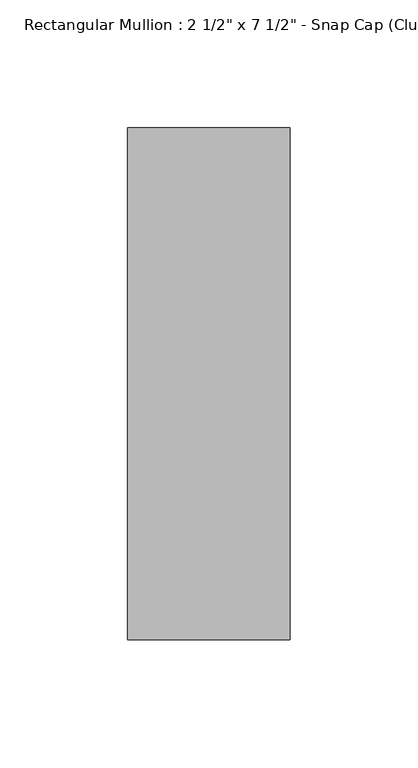
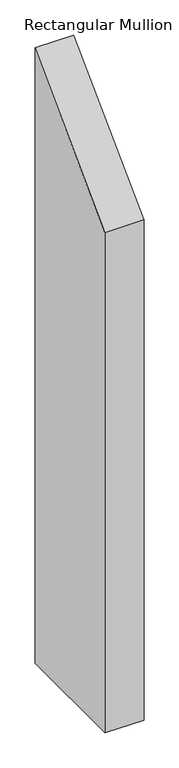
"""IFC4 building model written with IfcOpenShell, lengths in millimetres: member geometry."""

from ifc_helpers import new_model, si_unit, frame, origin, place, context, project, spatial, polyline, outline, extrude, source, transform, mapped, element, save


def member_cd596ea5(model_context):
    return source(origin(), model_context, "Body", "SweptSolid", [
        extrude(outline(polyline([(-174.2, -174.2), (25.8, 25.8), (25.8, -1043.2727273), (-174.2, -1043.2727273), (-174.2, -174.2)])), frame((-31.75, 0.0, 0.0), z_axis=(1.0, 0.0, 0.0), x_axis=(0.0, 1.0, 0.0)), (0.0, 0.0, 1.0), 63.5),
    ])


if __name__ == "__main__":
    model = new_model("IFC4")
    model_context = context("Model", 3, world=origin())
    ifc_project = project(units=[si_unit("LENGTHUNIT", "METRE", prefix="MILLI")], contexts=[model_context])
    site = spatial("IfcSite", under=ifc_project)
    building = spatial("IfcBuilding", under=site)
    placement = place(None, origin())
    member_shape = member_cd596ea5(model_context)
    element("IfcMember", 1, ObjectType="Rectangular Mullion : 2 1/2\" x 7 1/2\" - Snap Cap (Club)", at=placement, inside=building, context=model_context, shape_type="MappedRepresentation", body=[
        mapped(member_shape, transform((0.0, 0.0, 0.0), x_axis=(1.0, 0.0, 0.0), y_axis=(0.0, 1.0, 0.0), z_axis=(0.0, 0.0, 1.0))),
    ])
    save(model, "model.ifc")
